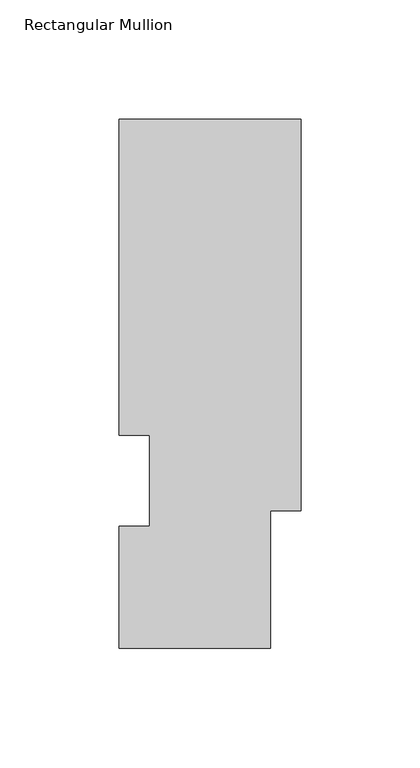
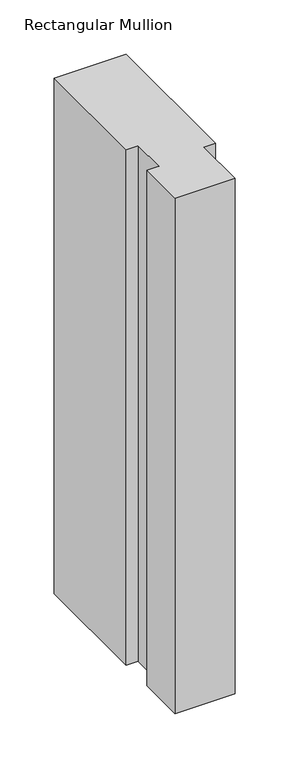
"""IFC4 building model written with IfcOpenShell, lengths in millimetres: member geometry, Rectangular Mullion."""

from ifc_helpers import new_model, si_unit, frame, origin, place, context, project, spatial, polyline, outline, extrude, source, transform, mapped, element, save


def rectangular_mullion_1398fa45(model_context):
    return source(origin(), model_context, "Body", "SweptSolid", [
        extrude(outline(polyline([(-76.2000001, 221.9539317), (0.0, 221.9539317), (0.0, 57.8445312), (-12.7000001, 57.8445312), (-12.7000001, 0.2119312), (-76.2000001, 0.2119312), (-76.2000001, 51.4945312), (-63.5126996, 51.4945312), (-63.5126996, 89.5945313), (-76.2000001, 89.5945313), (-76.2000001, 221.9539317)])), frame((0.0, 0.0, -577.8500002), z_axis=(0.0, 0.0, 1.0), x_axis=(1.0, 0.0, 0.0)), (0.0, 0.0, 1.0), 577.8500002),
    ])


if __name__ == "__main__":
    model = new_model("IFC4")
    model_context = context("Model", 3, world=origin())
    ifc_project = project(units=[si_unit("LENGTHUNIT", "METRE", prefix="MILLI")], contexts=[model_context])
    site = spatial("IfcSite", under=ifc_project)
    building = spatial("IfcBuilding", under=site)
    placement = place(None, origin())
    rectangular_mullion_shape = rectangular_mullion_1398fa45(model_context)
    element("IfcMember", 1, ObjectType="Rectangular Mullion", at=placement, inside=building, context=model_context, shape_type="MappedRepresentation", body=[
        mapped(rectangular_mullion_shape, transform((0.0, 0.0, 0.0), x_axis=(1.0, 0.0, 0.0), y_axis=(0.0, 1.0, 0.0), z_axis=(0.0, 0.0, 1.0))),
    ])
    save(model, "model.ifc")
